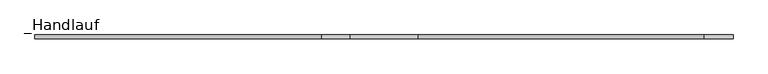
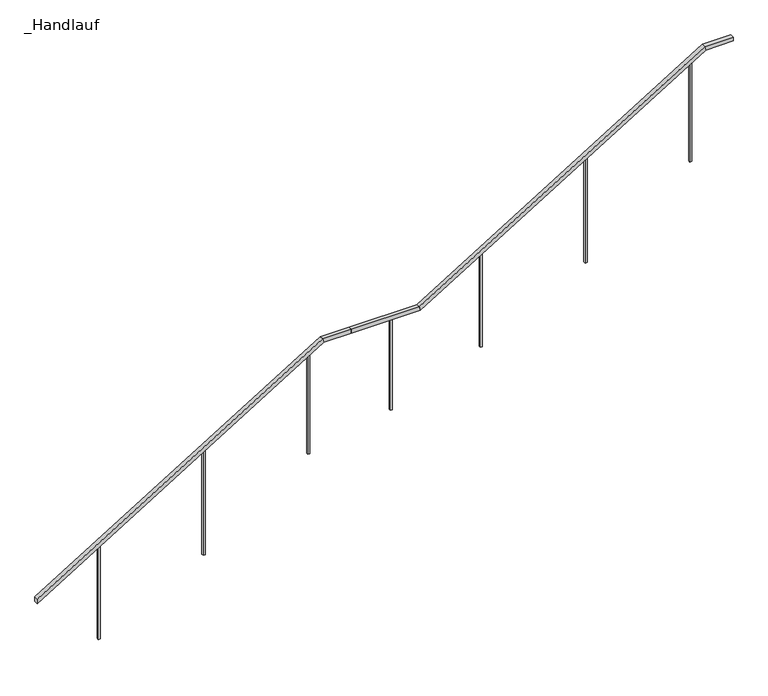
"""IFC4 building model written with IfcOpenShell, lengths in millimetres: railing geometry, _Handlauf."""

from ifc_helpers import new_model, si_unit, frame, origin, place, context, project, spatial, polyline, outline, extrude, faceted_brep, source, transform, mapped, element, save


def handlauf_60260ca4(model_context):
    return source(origin(), model_context, "Body", "SolidModel", [
        faceted_brep([(1990.0, 6112.4, 1000.0), (1990.0, 6152.4, 1000.0), (1990.0, 6152.4, 953.0610765), (1990.0, 6112.4, 953.0610765), (4851.3005326, 6112.4, 2710.0), (4840.0, 6112.4, 2750.0), (4851.3005326, 6152.4, 2710.0), (4840.0, 6152.4, 2750.0), (5125.0, 6112.4, 2750.0), (5125.0, 6112.4, 2710.0), (5125.0, 6152.4, 2710.0), (5125.0, 6152.4, 2750.0)], [[[0, 1, 2, 3]], [[0, 3, 4, 5]], [[3, 2, 6, 4]], [[2, 1, 7, 6]], [[1, 0, 5, 7]], [[8, 9, 10, 11]], [[5, 4, 9, 8]], [[4, 6, 10, 9]], [[6, 7, 11, 10]], [[7, 5, 8, 11]]]),
        faceted_brep([(5125.0, 6112.4, 2750.0), (5125.0, 6152.4, 2750.0), (5125.0, 6152.4, 2710.0), (5125.0, 6112.4, 2710.0), (5805.2300045, 6112.4, 2750.0), (5816.5305371, 6112.4, 2710.0), (5816.5305371, 6152.4, 2710.0), (5805.2300045, 6152.4, 2750.0)], [[[0, 1, 2, 3]], [[4, 5, 6, 7]], [[0, 3, 5, 4]], [[3, 2, 6, 5]], [[2, 1, 7, 6]], [[1, 0, 4, 7]]]),
        faceted_brep([(5805.2300045, 6112.4, 2750.0), (5805.2300045, 6152.4, 2750.0), (5816.5305371, 6152.4, 2710.0), (5816.5305371, 6112.4, 2710.0), (8666.5305371, 6112.4, 4460.0), (8655.2300045, 6112.4, 4500.0), (8666.5305371, 6152.4, 4460.0), (8655.2300045, 6152.4, 4500.0), (8940.2300045, 6112.4, 4500.0), (8940.2300045, 6112.4, 4460.0), (8940.2300045, 6152.4, 4460.0), (8940.2300045, 6152.4, 4500.0)], [[[0, 1, 2, 3]], [[0, 3, 4, 5]], [[3, 2, 6, 4]], [[2, 1, 7, 6]], [[1, 0, 5, 7]], [[8, 9, 10, 11]], [[5, 4, 9, 8]], [[4, 6, 10, 9]], [[6, 7, 11, 10]], [[7, 5, 8, 11]]]),
        extrude(outline(polyline([(4372.1929825, 8512.2300045), (3325.0, 8512.2300045), (3325.0, 8532.2300045), (4384.4736842, 8532.2300045), (4372.1929825, 8512.2300045)])), frame((0.0, 6122.4, 0.0), z_axis=(0.0, 1.0, 0.0), x_axis=(0.0, 0.0, 1.0)), (0.0, 0.0, 1.0), 20.0),
        extrude(outline(polyline([(3730.5263158, 7467.2300045), (2625.0, 7467.2300045), (2625.0, 7487.2300045), (3742.8070175, 7487.2300045), (3730.5263158, 7467.2300045)])), frame((0.0, 6122.4, 0.0), z_axis=(0.0, 1.0, 0.0), x_axis=(0.0, 0.0, 1.0)), (0.0, 0.0, 1.0), 20.0),
        extrude(outline(polyline([(3088.8596491, 6422.2300045), (2100.0, 6422.2300045), (2100.0, 6442.2300045), (3101.1403509, 6442.2300045), (3088.8596491, 6422.2300045)])), frame((0.0, 6122.4, 0.0), z_axis=(0.0, 1.0, 0.0), x_axis=(0.0, 0.0, 1.0)), (0.0, 0.0, 1.0), 20.0),
        extrude(outline(polyline([(5523.1380027, 6122.4), (5523.1380027, 6142.4), (5543.1380027, 6142.4), (5543.1380027, 6122.4), (5523.1380027, 6122.4)])), frame((0.0, 0.0, 1750.0), z_axis=(0.0, 0.0, 1.0), x_axis=(1.0, 0.0, 0.0)), (0.0, 0.0, 1.0), 960.0),
        extrude(outline(polyline([(2622.1929825, 4697.0), (1575.0, 4697.0), (1575.0, 4717.0), (2634.4736842, 4717.0), (2622.1929825, 4697.0)])), frame((0.0, 6122.4, 0.0), z_axis=(0.0, 1.0, 0.0), x_axis=(0.0, 0.0, 1.0)), (0.0, 0.0, 1.0), 20.0),
        extrude(outline(polyline([(1980.5263158, 3652.0), (875.0, 3652.0), (875.0, 3672.0), (1992.8070175, 3672.0), (1980.5263158, 3652.0)])), frame((0.0, 6122.4, 0.0), z_axis=(0.0, 1.0, 0.0), x_axis=(0.0, 0.0, 1.0)), (0.0, 0.0, 1.0), 20.0),
        extrude(outline(polyline([(1338.8596491, 2607.0), (350.0, 2607.0), (350.0, 2627.0), (1351.1403509, 2627.0), (1338.8596491, 2607.0)])), frame((0.0, 6122.4, 0.0), z_axis=(0.0, 1.0, 0.0), x_axis=(0.0, 0.0, 1.0)), (0.0, 0.0, 1.0), 20.0),
    ])


if __name__ == "__main__":
    model = new_model("IFC4")
    model_context = context("Model", 3, world=origin())
    ifc_project = project(units=[si_unit("LENGTHUNIT", "METRE", prefix="MILLI")], contexts=[model_context])
    site = spatial("IfcSite", under=ifc_project)
    building = spatial("IfcBuilding", under=site)
    placement = place(None, origin())
    handlauf_shape = handlauf_60260ca4(model_context)
    element("IfcRailing", 1, ObjectType="_Handlauf", at=placement, inside=building, context=model_context, shape_type="MappedRepresentation", body=[
        mapped(handlauf_shape, transform((0.0, 0.0, 0.0), x_axis=(1.0, 0.0, 0.0), y_axis=(0.0, 1.0, 0.0), z_axis=(0.0, 0.0, 1.0))),
    ])
    save(model, "model.ifc")
